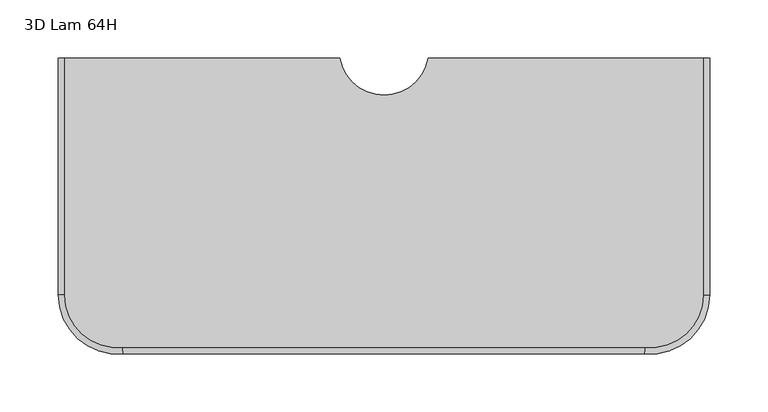
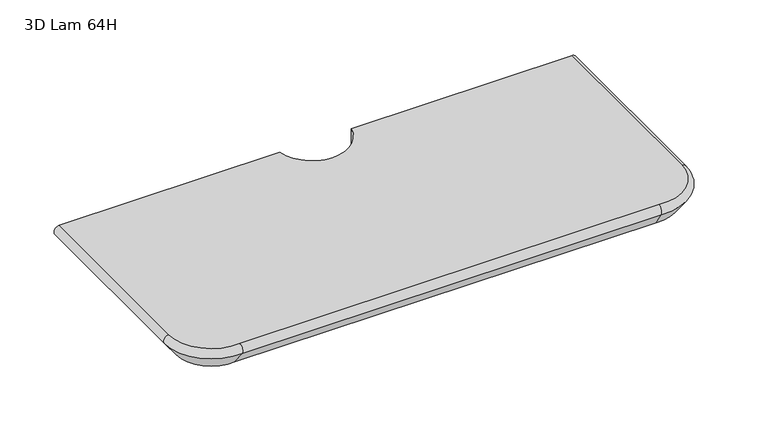
"""IFC4 building model written with IfcOpenShell, lengths in millimetres: furniture geometry, 3D Lam 64H."""

from ifc_helpers import new_model, si_unit, point, frame, origin, place, context, project, spatial, polyline, circle_curve, ellipse_curve, trimmed, source, transform, mapped, element, save
from ifc_brep_helpers import plane_surface, cylinder_surface, revolved_surface, advanced_brep


def furniture_3d_lam_64h_fc934cb6(model_context):
    return source(origin(), model_context, "Body", "AdvancedBrep", [
        advanced_brep(
        [(38.1, 0.0, 25.4000008), (-38.1, 0.0, 25.4000008), (-273.8768646, 0.0, 25.4000008), (-273.8768646, -203.2, 25.4000008), (-224.1707415, -248.2596953, 25.4000008), (224.1707415, -248.2596953, 25.4000008), (273.8768646, -203.2, 25.4000008), (273.8768646, 0.0, 25.4000008), (-266.2222723, 0.0, 0.0), (-38.1, 0.0, 0.0), (38.1, 0.0, 0.0), (266.2222723, 0.0, 0.0), (266.2222723, -203.2, 0.0), (224.9195603, -240.641818, 0.0), (-224.9195603, -240.641818, 0.0), (-266.2222723, -203.2, 0.0), (278.2938481, 0.0, 16.7817092), (-278.2938481, 0.0, 16.7817092), (278.2938481, -203.2, 16.7817092), (223.7386453, -252.6554928, 16.7817092), (-223.7386453, -252.6554928, 16.7817092), (-278.2938481, -203.2, 16.7817092)],
        [
            (0, 1, circle_curve(frame((0.0, 6.985, 25.4000008), z_axis=(0.0, 0.0, -1.0), x_axis=(-0.1803278688606102, -0.9836065573755548, 0.0)), 38.735)),
            (1, 2),
            (2, 3),
            (3, 4, circle_curve(frame((-228.6, -203.2, 25.4000008), z_axis=(0.0, 0.0, 1.0), x_axis=(0.09782608695653236, -0.995203525270471, 0.0)), 45.2768646)),
            (4, 5, circle_curve(frame((0.0, -2528.7915979, 25.4000008), z_axis=(0.0, 0.0, -1.0), x_axis=(0.0978260869565509, 0.9952035252704692, 0.0)), 2291.5231354)),
            (5, 6, circle_curve(frame((228.6, -203.2, 25.4000008), z_axis=(0.0, 0.0, 1.0), x_axis=(1.0, 0.0, 0.0)), 45.2768646)),
            (6, 7),
            (7, 0),
            (8, 9),
            (9, 10, circle_curve(frame((0.0, 6.985, 0.0), z_axis=(0.0, 0.0, 1.0), x_axis=(-0.1803278688606102, -0.9836065573755548, 0.0)), 38.735)),
            (10, 11),
            (11, 12),
            (12, 13, circle_curve(frame((228.6, -203.2, 0.0), z_axis=(0.0, 0.0, -1.0), x_axis=(1.0, 0.0, 0.0)), 37.6222723)),
            (13, 14, circle_curve(frame((0.0, -2528.7915979, 0.0), z_axis=(0.0, 0.0, 1.0), x_axis=(0.0978260869565509, 0.9952035252704692, 0.0)), 2299.1777277)),
            (14, 15, circle_curve(frame((-228.6, -203.2, 0.0), z_axis=(0.0, 0.0, -1.0), x_axis=(0.09782608695653236, -0.995203525270471, 0.0)), 37.6222723)),
            (15, 8),
            (7, 16, circle_curve(frame((273.8768646, 0.0, 19.958975), z_axis=(0.0, 1.0, 0.0), x_axis=(1.0, 0.0, 0.0)), 5.4410257)),
            (16, 11),
            (10, 0),
            (9, 1),
            (8, 17),
            (17, 2, circle_curve(frame((-273.8768646, 0.0, 19.958975), z_axis=(0.0, 1.0, 0.0), x_axis=(-1.0, 0.0, 0.0)), 5.4410257)),
            (6, 18, circle_curve(frame((273.8768646, -203.2, 19.958975), z_axis=(0.0, 1.0, 0.0), x_axis=(1.0, 0.0, 0.0)), 5.4410257)),
            (18, 16),
            (18, 12),
            (5, 19, circle_curve(frame((224.1707415, -248.2596953, 19.958975), z_axis=(0.9952035252704997, -0.09782608695623962, 0.0), x_axis=(-0.09782608695623962, -0.9952035252704997, 0.0)), 5.4410257)),
            (19, 18, circle_curve(frame((228.6, -203.2, 16.7817092), z_axis=(0.0, 0.0, 1.0), x_axis=(1.0, 0.0, 0.0)), 49.6938481)),
            (19, 13),
            (4, 20, circle_curve(frame((-224.1707415, -248.2596953, 19.958975), z_axis=(0.9952035252704718, 0.09782608695652584, 0.0), x_axis=(0.09782608695652592, -0.9952035252704716, 0.0)), 5.4410257)),
            (20, 19, circle_curve(frame((0.0, -2528.7915979, 16.7817092), z_axis=(0.0, 0.0, -1.0), x_axis=(0.0978260869565509, 0.9952035252704692, 0.0)), 2287.1061519)),
            (20, 14),
            (3, 21, circle_curve(frame((-273.8768646, -203.2, 19.958975), z_axis=(0.0, -0.9999999999999999, 0.0), x_axis=(-0.9999999999999999, 0.0, 0.0)), 5.4410257)),
            (21, 20, circle_curve(frame((-228.6, -203.2, 16.7817092), z_axis=(0.0, 0.0, 1.0), x_axis=(0.09782608695653236, -0.995203525270471, 0.0)), 49.6938481)),
            (21, 15),
            (17, 21),
        ],
        [
            plane_surface(frame((266.2222723, 0.0, 25.4000008), z_axis=(0.0, 0.0, 1.0), x_axis=(0.0, 1.0, 0.0))),
            plane_surface(frame((266.2222723, 0.0, 0.0), z_axis=(0.0, 0.0, -1.0), x_axis=(0.0, -1.0, 0.0))),
            plane_surface(frame((266.2222723, 0.0, 25.4000008), z_axis=(0.0, 1.0, 0.0), x_axis=(0.0, 0.0, -1.0))),
            revolved_surface(polyline([(-6.985000000315736, -31.114999999942114, 0.0), (-6.985000000315736, -31.114999999942114, 25.400000800000015)]), (0.0, 6.985, 0.0), (0.0, 0.0, -1.0000000000000002)),
            plane_surface(frame((-38.1, 0.0, 25.4000008), z_axis=(0.0, 1.0, 0.0), x_axis=(0.0, 0.0, -1.0))),
            cylinder_surface(frame((273.8768646, 0.0, 19.958975), z_axis=(0.0, 1.0, 0.0), x_axis=(1.0, 0.0, 0.0)), 5.4410257),
            plane_surface(frame((278.2938481, 0.0, 16.7817092), z_axis=(0.8117924269133329, 0.0, -0.5839461067651373), x_axis=(0.0, -1.0, 0.0))),
            revolved_surface(trimmed(ellipse_curve(frame((273.8768646, -203.2, 19.958975), z_axis=(0.0, 1.0, 0.0), x_axis=(1.0, 0.0, 0.0)), 5.4410257, 5.4410257), [point((273.8768646, -203.2, 25.4000008))], [point((278.2938481, -203.2, 16.7817092))], True, "CARTESIAN"), (228.6, -203.2, 16.5539303), (0.0, 0.0, -1.0)),
            revolved_surface(polyline([(278.2938481, -203.2, 16.7817092), (266.2222723, -203.2, 0.0)]), (228.6, -203.2, 16.5539303), (0.0, 0.0, -1.0)),
            revolved_surface(trimmed(ellipse_curve(frame((224.1707415, -248.2596953, 19.958975), z_axis=(0.9952035252704694, -0.09782608695655089, 0.0), x_axis=(-0.09782608695655086, -0.9952035252704692, 0.0)), 5.4410257, 5.4410257), [point((224.1707415, -248.2596953, 25.4000008))], [point((223.7386453, -252.6554928, 16.7817092))], True, "CARTESIAN"), (0.0, -2528.7915979, 16.5539303), (0.0, 0.0, 1.0000000000000002)),
            revolved_surface(polyline([(223.7386453, -252.6554928, 16.7817092), (224.9195603, -240.641818, 0.0)]), (0.0, -2528.7915979, 16.5539303), (0.0, 0.0, 1.0000000000000002)),
            revolved_surface(trimmed(ellipse_curve(frame((-224.1707415, -248.2596953, 19.958975), z_axis=(0.995203525270471, 0.09782608695653235, 0.0), x_axis=(0.09782608695653235, -0.995203525270471, 0.0)), 5.4410257, 5.4410257), [point((-224.1707415, -248.2596953, 25.4000008))], [point((-223.7386453, -252.6554928, 16.7817092))], True, "CARTESIAN"), (-228.6, -203.2, 16.5539303), (0.0, 0.0, -1.0)),
            revolved_surface(polyline([(-223.7386453, -252.6554928, 16.7817092), (-224.9195603, -240.641818, 0.0)]), (-228.6, -203.2, 16.5539303), (0.0, 0.0, -1.0)),
            cylinder_surface(frame((-273.8768646, -203.2, 19.958975), z_axis=(0.0, -1.0, 0.0), x_axis=(-1.0, 0.0, 0.0)), 5.4410257),
            plane_surface(frame((-278.2938481, -203.2, 16.7817092), z_axis=(-0.8117924269133329, 0.0, -0.5839461067651373), x_axis=(0.0, 1.0, 0.0))),
        ],
        [
            (0, [[1, 2, 3, 4, 5, 6, 7, 8]]),
            (1, [[9, 10, 11, 12, 13, 14, 15, 16]]),
            (2, [[-8, 17, 18, -11, 19]]),
            (3, [[-1, -19, -10, 20]]),
            (4, [[-2, -20, -9, 21, 22]]),
            (5, [[-17, -7, 23, 24]]),
            (6, [[-18, -24, 25, -12]]),
            (7, [[-6, 26, 27, -23]]),
            (8, [[-25, -27, 28, -13]]),
            (9, [[-5, 29, 30, -26]]),
            (10, [[-28, -30, 31, -14]]),
            (11, [[-4, 32, 33, -29]]),
            (12, [[-31, -33, 34, -15]]),
            (13, [[-3, -22, 35, -32]]),
            (14, [[-21, -16, -34, -35]]),
        ],
    ),
    ])


if __name__ == "__main__":
    model = new_model("IFC4")
    model_context = context("Model", 3, world=origin())
    ifc_project = project(units=[si_unit("LENGTHUNIT", "METRE", prefix="MILLI")], contexts=[model_context])
    site = spatial("IfcSite", under=ifc_project)
    building = spatial("IfcBuilding", under=site)
    placement = place(None, origin())
    furniture_3d_lam_64h_shape = furniture_3d_lam_64h_fc934cb6(model_context)
    element("IfcFurniture", 1, ObjectType="3D Lam 64H", at=placement, inside=building, context=model_context, shape_type="MappedRepresentation", body=[
        mapped(furniture_3d_lam_64h_shape, transform((0.0, 0.0, 0.0), x_axis=(1.0, 0.0, 0.0), y_axis=(0.0, 1.0, 0.0), z_axis=(0.0, 0.0, 1.0))),
    ])
    save(model, "model.ifc")
